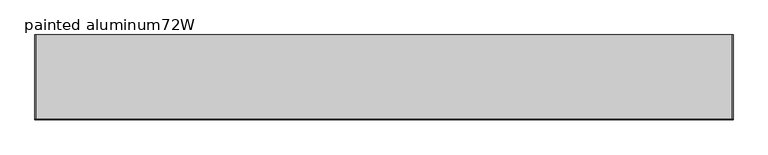
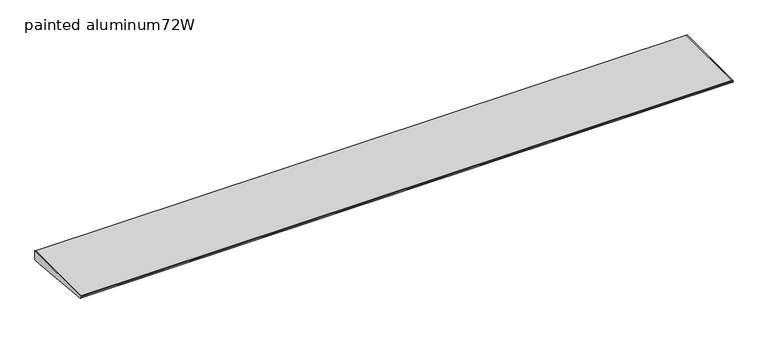
"""IFC4 building model written with IfcOpenShell, lengths in millimetres: furniture geometry, painted aluminum72W."""

import ifcopenshell
import ifcopenshell.guid

model = None  # the IFC model being written
_history = None  # IfcOwnerHistory: only IFC2X3 demands one
_inside = {}  # id of a spatial element -> (the spatial element, [elements in it])
_under = {}  # id of a project, library or spatial element -> (it, [spatial elements below it])
_declared = {}  # id of a project -> (the project, [libraries it declares])
_typed = {}  # id of a type object -> (the type object, [elements of that type])
_made_of = {}  # id of a material, layer set ... -> (it, [elements and type objects made of it])


def new_model(schema):
    """Start an empty IFC model of exactly this schema.

    Asked for "IFC4X3", IfcOpenShell would pick the latest addendum, in which some entities
    have other attributes; the version numbers below select the first issue.
    IFC2X3 requires an IfcOwnerHistory on every rooted entity: one is made here for all.
    """
    global model, _history
    if schema == "IFC4X3":
        model = ifcopenshell.file(schema_version=(4, 3, 0, 0))
    else:
        model = ifcopenshell.file(schema=schema)
    _inside.clear()
    _under.clear()
    _declared.clear()
    _typed.clear()
    _made_of.clear()
    _history = None
    if model.schema == "IFC2X3":
        org = make("IfcOrganization", Name="unknown")
        user = make(
            "IfcPersonAndOrganization",
            ThePerson=make("IfcPerson", FamilyName="unknown"),
            TheOrganization=org,
        )
        app = make(
            "IfcApplication",
            ApplicationDeveloper=org,
            Version="unknown",
            ApplicationFullName="unknown",
            ApplicationIdentifier="unknown",
        )
        _history = make(
            "IfcOwnerHistory",
            OwningUser=user,
            OwningApplication=app,
            ChangeAction="ADDED",
            CreationDate=0,
        )
    return model


def make(cls, **values):
    """One entity of the class cls with the attributes given. An attribute that is None is left unset."""
    return model.create_entity(
        cls, **{name: value for name, value in values.items() if value is not None}
    )


def rooted(cls, **values):
    """An entity with a GlobalId (a new one), such as an element, a storey or a relation."""
    return make(cls, GlobalId=ifcopenshell.guid.new(), OwnerHistory=_history, **values)


def si_unit(unit_type, name, prefix=None):
    """IfcSIUnit, for example si_unit("LENGTHUNIT", "METRE", prefix="MILLI")."""
    return make("IfcSIUnit", UnitType=unit_type, Prefix=prefix, Name=name)


def assignment(units):
    """IfcUnitAssignment: the units of a project."""
    return None if units is None else make("IfcUnitAssignment", Units=units)


def point(xyz):
    """IfcCartesianPoint."""
    return None if xyz is None else make("IfcCartesianPoint", Coordinates=xyz)


def direction(xyz):
    """IfcDirection."""
    return None if xyz is None else make("IfcDirection", DirectionRatios=xyz)


def frame(location, z_axis=None, x_axis=None):
    """IfcAxis2Placement3D, a coordinate frame: its origin and axes. An axis left out is left unset."""
    return make(
        "IfcAxis2Placement3D",
        Location=point(location),
        Axis=direction(z_axis),
        RefDirection=direction(x_axis),
    )


def origin():
    """The frame at (0, 0, 0) with its axes left unset."""
    return frame((0.0, 0.0, 0.0))


def place(relative_to, where):
    """IfcLocalPlacement: puts the frame where relative to a parent placement (None: the world)."""
    return make(
        "IfcLocalPlacement", PlacementRelTo=relative_to, RelativePlacement=where
    )


def context(
    kind, dimensions, precision=None, world=None, true_north=None, identifier=None
):
    """IfcGeometricRepresentationContext, for example the 3D "Model" context."""
    return make(
        "IfcGeometricRepresentationContext",
        ContextIdentifier=identifier,
        ContextType=kind,
        CoordinateSpaceDimension=dimensions,
        Precision=precision,
        WorldCoordinateSystem=world,
        TrueNorth=true_north,
    )


def project(units=None, contexts=None):
    """IfcProject with its units and contexts."""
    return rooted(
        "IfcProject",
        Name="project",
        RepresentationContexts=contexts,
        UnitsInContext=assignment(units),
    )


def spatial(cls, under=None, at=None, **own):
    """A site, building, storey or space (cls), placed at a placement, below another one or the project."""
    s = rooted(cls, ObjectPlacement=at, **own)
    if under is not None:
        _under.setdefault(under.id(), (under, []))[1].append(s)
    return s


def polyline(points):
    """IfcPolyline through the points."""
    return make("IfcPolyline", Points=[point(p) for p in points])


def outline(outer, holes=None, kind="AREA"):
    """IfcArbitraryClosedProfileDef: a profile drawn as a closed curve; with holes, ...WithVoids."""
    if holes is None:
        return make("IfcArbitraryClosedProfileDef", ProfileType=kind, OuterCurve=outer)
    return make(
        "IfcArbitraryProfileDefWithVoids",
        ProfileType=kind,
        OuterCurve=outer,
        InnerCurves=holes,
    )


def extrude(swept, where, along, depth):
    """IfcExtrudedAreaSolid: the profile swept, set in the frame where, extruded along a direction by depth."""
    return make(
        "IfcExtrudedAreaSolid",
        SweptArea=swept,
        Position=where,
        ExtrudedDirection=direction(along),
        Depth=depth,
    )


def shape(context_of_items, identifier, shape_type, items):
    """IfcShapeRepresentation: the items that make up one representation, for example the "Body"."""
    return make(
        "IfcShapeRepresentation",
        ContextOfItems=context_of_items,
        RepresentationIdentifier=identifier,
        RepresentationType=shape_type,
        Items=items,
    )


def source(mapping_origin, context_of_items, identifier, shape_type, items):
    """IfcRepresentationMap: a shape defined once, which mapped items show again and again."""
    return make(
        "IfcRepresentationMap",
        MappingOrigin=mapping_origin,
        MappedRepresentation=shape(context_of_items, identifier, shape_type, items),
    )


def transform(
    local_origin,
    x_axis=None,
    y_axis=None,
    z_axis=None,
    scale=None,
    scale2=None,
    scale3=None,
    uniform=True,
):
    """IfcCartesianTransformationOperator3D, or its non-uniform kind. x_axis, y_axis, z_axis: its Axis1, 2, 3."""
    if uniform:
        return make(
            "IfcCartesianTransformationOperator3D",
            Axis1=direction(x_axis),
            Axis2=direction(y_axis),
            LocalOrigin=point(local_origin),
            Scale=scale,
            Axis3=direction(z_axis),
        )
    return make(
        "IfcCartesianTransformationOperator3DnonUniform",
        Axis1=direction(x_axis),
        Axis2=direction(y_axis),
        LocalOrigin=point(local_origin),
        Scale=scale,
        Axis3=direction(z_axis),
        Scale2=scale2,
        Scale3=scale3,
    )


def mapped(mapping_source, mapping_target):
    """IfcMappedItem: shows the shape of a source again, moved by a transform."""
    return make(
        "IfcMappedItem", MappingSource=mapping_source, MappingTarget=mapping_target
    )


def made_of(thing, what):
    """Note that an element or type object is made of a material, layer set ...; save() writes the relation."""
    if what is not None:
        _made_of.setdefault(what.id(), (what, []))[1].append(thing)
    return thing


def element(
    cls,
    number,
    at=None,
    inside=None,
    cuts=None,
    type_object=None,
    material=None,
    context=None,
    identifier="Body",
    shape_type=None,
    held_by="IfcProductDefinitionShape",
    body=None,
    shapes=None,
    **own,
):
    """One element of the class cls, such as IfcWall. Its Tag is "e" and its number.

    at: its placement. inside: the storey or other place that contains it. cuts: it is an
    opening in that element (IfcRelVoidsElement). A single representation is given by context,
    identifier, shape_type and body (its items); several are given by shapes. held_by: the class
    of the entity that holds the representations. save() writes the other relations.
    """
    e = rooted(cls, Tag="e%d" % number, ObjectPlacement=at, **own)
    if body is not None:
        shapes = [shape(context, identifier, shape_type, body)]
    if shapes is not None:
        e.Representation = make(held_by, Representations=shapes)
    if inside is not None:
        _inside.setdefault(inside.id(), (inside, []))[1].append(e)
    if cuts is not None:
        rooted(
            "IfcRelVoidsElement", RelatingBuildingElement=cuts, RelatedOpeningElement=e
        )
    if type_object is not None:
        _typed.setdefault(type_object.id(), (type_object, []))[1].append(e)
    return made_of(e, material)


def aggregate(whole, parts):
    """IfcRelAggregates: a whole, such as a stair, and the parts it consists of."""
    return rooted("IfcRelAggregates", RelatingObject=whole, RelatedObjects=parts)


def save(model, path):
    """Write the relations noted so far, then the file.

    IfcRelAggregates (storeys below a building ...), IfcRelContainedInSpatialStructure (elements
    in a storey), IfcRelDefinesByType, IfcRelAssociatesMaterial and IfcRelDeclares: one each for
    every whole, place, type object, material and project.
    """
    for whole, parts in _under.values():
        aggregate(whole, parts)
    for where, things in _inside.values():
        rooted(
            "IfcRelContainedInSpatialStructure",
            RelatedElements=things,
            RelatingStructure=where,
        )
    for kind, things in _typed.values():
        rooted("IfcRelDefinesByType", RelatedObjects=things, RelatingType=kind)
    for what, things in _made_of.values():
        rooted("IfcRelAssociatesMaterial", RelatedObjects=things, RelatingMaterial=what)
    for by, libraries in _declared.values():
        rooted("IfcRelDeclares", RelatingContext=by, RelatedDefinitions=libraries)
    model.write(path)


def painted_aluminum72w_ffbb39ec(model_context):
    return source(origin(), model_context, "Body", "SweptSolid", [
        extrude(outline(polyline([(-222.022331, 1319.9835155), (-220.8911683, 1321.4479329), (-218.9431893, 1322.05984), (0.0, 1322.05984), (0.0, 1296.65984), (-25.3684852, 1296.65984), (-219.3540346, 1315.7250636), (-221.1050905, 1316.470208), (-222.1155121, 1318.0827981), (-222.022331, 1319.9835155)])), frame((1824.2279999, 0.0, 0.0), z_axis=(1.0, 0.0, 0.0), x_axis=(0.0, 1.0, 0.0)), (0.0, 0.0, 1.0), 2.032),
        extrude(outline(polyline([(-222.022331, 1319.9835155), (-220.8911683, 1321.4479329), (-218.9431893, 1322.05984), (0.0, 1322.05984), (0.0, 1296.65984), (-25.3684852, 1296.65984), (-219.3540346, 1315.7250636), (-221.1050905, 1316.470208), (-222.1155121, 1318.0827981), (-222.022331, 1319.9835155)])), frame((2.5400001, 0.0, 0.0), z_axis=(1.0, 0.0, 0.0), x_axis=(0.0, 1.0, 0.0)), (0.0, 0.0, 1.0), 2.032),
        extrude(outline(polyline([(0.0, 1322.05984), (0.0, 1296.65984), (-25.3684852, 1296.65984), (-219.3540346, 1315.7250636), (-221.1050905, 1316.470208), (-222.1155121, 1318.0827981), (-222.022331, 1319.9835155), (-220.8911683, 1321.4479329), (-218.9431893, 1322.05984), (0.0, 1322.05984)])), frame((4.5720001, 0.0, 0.0), z_axis=(1.0, 0.0, 0.0), x_axis=(0.0, 1.0, 0.0)), (0.0, 0.0, 1.0), 1819.6559997),
    ])


if __name__ == "__main__":
    model = new_model("IFC4")
    model_context = context("Model", 3, world=origin())
    ifc_project = project(units=[si_unit("LENGTHUNIT", "METRE", prefix="MILLI")], contexts=[model_context])
    site = spatial("IfcSite", under=ifc_project)
    building = spatial("IfcBuilding", under=site)
    placement = place(None, origin())
    painted_aluminum72w_shape = painted_aluminum72w_ffbb39ec(model_context)
    element("IfcFurniture", 1, ObjectType="painted aluminum72W", at=placement, inside=building, context=model_context, shape_type="MappedRepresentation", body=[
        mapped(painted_aluminum72w_shape, transform((0.0, 0.0, 0.0), x_axis=(1.0, 0.0, 0.0), y_axis=(0.0, 1.0, 0.0), z_axis=(0.0, 0.0, 1.0))),
    ])
    save(model, "model.ifc")
